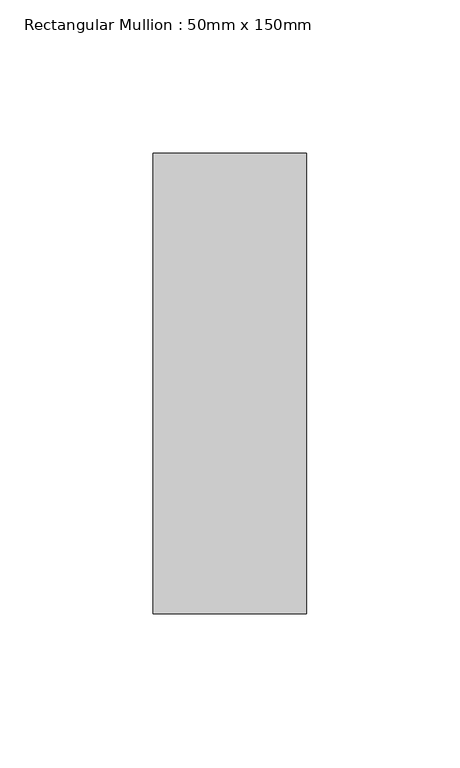
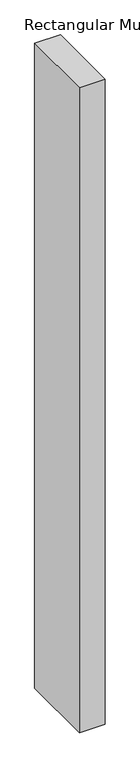
"""IFC4 building model written with IfcOpenShell, lengths in millimetres: member geometry, Rectangular Mullion : 50mm x 150mm."""

from ifc_helpers import new_model, si_unit, frame, origin, place, context, project, spatial, polyline, outline, extrude, source, transform, mapped, element, save


def rectangular_mullion_50mm_x_150mm_6b462b64(model_context):
    return source(origin(), model_context, "Body", "SweptSolid", [
        extrude(outline(polyline([(25.0, 75.0), (25.0, -75.0), (-25.0, -75.0), (-25.0, 75.0), (25.0, 75.0)])), frame((0.0, 0.0, -1322.8571431), z_axis=(0.0, 0.0, 1.0), x_axis=(1.0, 0.0, 0.0)), (0.0, 0.0, 1.0), 1322.8571431),
    ])


if __name__ == "__main__":
    model = new_model("IFC4")
    model_context = context("Model", 3, world=origin())
    ifc_project = project(units=[si_unit("LENGTHUNIT", "METRE", prefix="MILLI")], contexts=[model_context])
    site = spatial("IfcSite", under=ifc_project)
    building = spatial("IfcBuilding", under=site)
    placement = place(None, origin())
    rectangular_mullion_50mm_x_150mm_shape = rectangular_mullion_50mm_x_150mm_6b462b64(model_context)
    element("IfcMember", 1, ObjectType="Rectangular Mullion : 50mm x 150mm", at=placement, inside=building, context=model_context, shape_type="MappedRepresentation", body=[
        mapped(rectangular_mullion_50mm_x_150mm_shape, transform((0.0, 0.0, 0.0), x_axis=(1.0, 0.0, 0.0), y_axis=(0.0, 1.0, 0.0), z_axis=(0.0, 0.0, 1.0))),
    ])
    save(model, "model.ifc")
